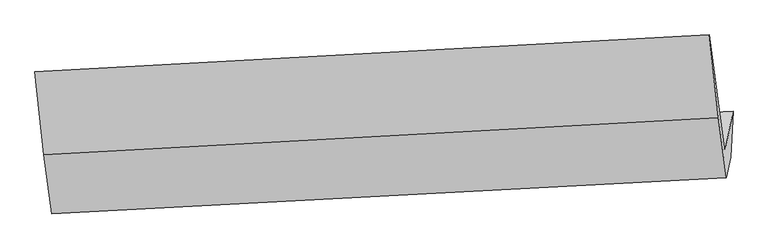
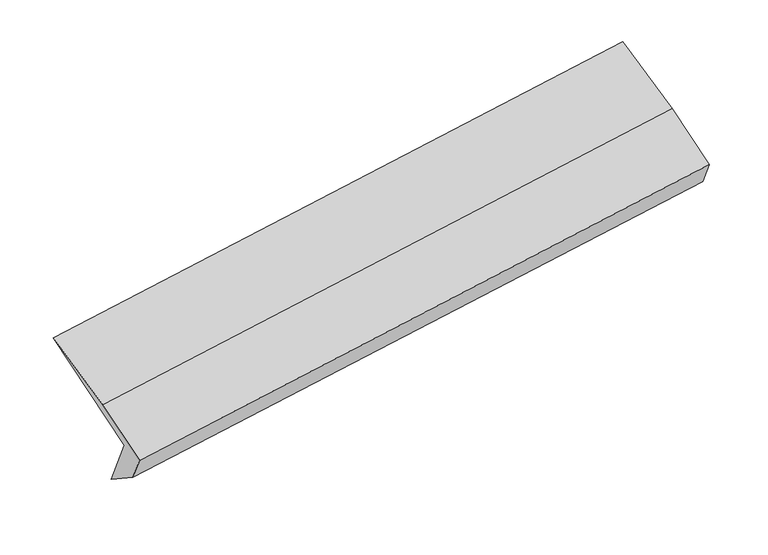
"""IFC4 building model written with IfcOpenShell, lengths in millimetres: proxy geometry."""

import ifcopenshell
import ifcopenshell.guid

model = None  # the IFC model being written
_history = None  # IfcOwnerHistory: only IFC2X3 demands one
_inside = {}  # id of a spatial element -> (the spatial element, [elements in it])
_under = {}  # id of a project, library or spatial element -> (it, [spatial elements below it])
_declared = {}  # id of a project -> (the project, [libraries it declares])
_typed = {}  # id of a type object -> (the type object, [elements of that type])
_made_of = {}  # id of a material, layer set ... -> (it, [elements and type objects made of it])


def new_model(schema):
    """Start an empty IFC model of exactly this schema.

    Asked for "IFC4X3", IfcOpenShell would pick the latest addendum, in which some entities
    have other attributes; the version numbers below select the first issue.
    IFC2X3 requires an IfcOwnerHistory on every rooted entity: one is made here for all.
    """
    global model, _history
    if schema == "IFC4X3":
        model = ifcopenshell.file(schema_version=(4, 3, 0, 0))
    else:
        model = ifcopenshell.file(schema=schema)
    _inside.clear()
    _under.clear()
    _declared.clear()
    _typed.clear()
    _made_of.clear()
    _history = None
    if model.schema == "IFC2X3":
        org = make("IfcOrganization", Name="unknown")
        user = make(
            "IfcPersonAndOrganization",
            ThePerson=make("IfcPerson", FamilyName="unknown"),
            TheOrganization=org,
        )
        app = make(
            "IfcApplication",
            ApplicationDeveloper=org,
            Version="unknown",
            ApplicationFullName="unknown",
            ApplicationIdentifier="unknown",
        )
        _history = make(
            "IfcOwnerHistory",
            OwningUser=user,
            OwningApplication=app,
            ChangeAction="ADDED",
            CreationDate=0,
        )
    return model


def make(cls, **values):
    """One entity of the class cls with the attributes given. An attribute that is None is left unset."""
    return model.create_entity(
        cls, **{name: value for name, value in values.items() if value is not None}
    )


def rooted(cls, **values):
    """An entity with a GlobalId (a new one), such as an element, a storey or a relation."""
    return make(cls, GlobalId=ifcopenshell.guid.new(), OwnerHistory=_history, **values)


def si_unit(unit_type, name, prefix=None):
    """IfcSIUnit, for example si_unit("LENGTHUNIT", "METRE", prefix="MILLI")."""
    return make("IfcSIUnit", UnitType=unit_type, Prefix=prefix, Name=name)


def assignment(units):
    """IfcUnitAssignment: the units of a project."""
    return None if units is None else make("IfcUnitAssignment", Units=units)


def point(xyz):
    """IfcCartesianPoint."""
    return None if xyz is None else make("IfcCartesianPoint", Coordinates=xyz)


def direction(xyz):
    """IfcDirection."""
    return None if xyz is None else make("IfcDirection", DirectionRatios=xyz)


def frame(location, z_axis=None, x_axis=None):
    """IfcAxis2Placement3D, a coordinate frame: its origin and axes. An axis left out is left unset."""
    return make(
        "IfcAxis2Placement3D",
        Location=point(location),
        Axis=direction(z_axis),
        RefDirection=direction(x_axis),
    )


def origin():
    """The frame at (0, 0, 0) with its axes left unset."""
    return frame((0.0, 0.0, 0.0))


def place(relative_to, where):
    """IfcLocalPlacement: puts the frame where relative to a parent placement (None: the world)."""
    return make(
        "IfcLocalPlacement", PlacementRelTo=relative_to, RelativePlacement=where
    )


def context(
    kind, dimensions, precision=None, world=None, true_north=None, identifier=None
):
    """IfcGeometricRepresentationContext, for example the 3D "Model" context."""
    return make(
        "IfcGeometricRepresentationContext",
        ContextIdentifier=identifier,
        ContextType=kind,
        CoordinateSpaceDimension=dimensions,
        Precision=precision,
        WorldCoordinateSystem=world,
        TrueNorth=true_north,
    )


def project(units=None, contexts=None):
    """IfcProject with its units and contexts."""
    return rooted(
        "IfcProject",
        Name="project",
        RepresentationContexts=contexts,
        UnitsInContext=assignment(units),
    )


def spatial(cls, under=None, at=None, **own):
    """A site, building, storey or space (cls), placed at a placement, below another one or the project."""
    s = rooted(cls, ObjectPlacement=at, **own)
    if under is not None:
        _under.setdefault(under.id(), (under, []))[1].append(s)
    return s


def shape(context_of_items, identifier, shape_type, items):
    """IfcShapeRepresentation: the items that make up one representation, for example the "Body"."""
    return make(
        "IfcShapeRepresentation",
        ContextOfItems=context_of_items,
        RepresentationIdentifier=identifier,
        RepresentationType=shape_type,
        Items=items,
    )


def source(mapping_origin, context_of_items, identifier, shape_type, items):
    """IfcRepresentationMap: a shape defined once, which mapped items show again and again."""
    return make(
        "IfcRepresentationMap",
        MappingOrigin=mapping_origin,
        MappedRepresentation=shape(context_of_items, identifier, shape_type, items),
    )


def transform(
    local_origin,
    x_axis=None,
    y_axis=None,
    z_axis=None,
    scale=None,
    scale2=None,
    scale3=None,
    uniform=True,
):
    """IfcCartesianTransformationOperator3D, or its non-uniform kind. x_axis, y_axis, z_axis: its Axis1, 2, 3."""
    if uniform:
        return make(
            "IfcCartesianTransformationOperator3D",
            Axis1=direction(x_axis),
            Axis2=direction(y_axis),
            LocalOrigin=point(local_origin),
            Scale=scale,
            Axis3=direction(z_axis),
        )
    return make(
        "IfcCartesianTransformationOperator3DnonUniform",
        Axis1=direction(x_axis),
        Axis2=direction(y_axis),
        LocalOrigin=point(local_origin),
        Scale=scale,
        Axis3=direction(z_axis),
        Scale2=scale2,
        Scale3=scale3,
    )


def mapped(mapping_source, mapping_target):
    """IfcMappedItem: shows the shape of a source again, moved by a transform."""
    return make(
        "IfcMappedItem", MappingSource=mapping_source, MappingTarget=mapping_target
    )


def made_of(thing, what):
    """Note that an element or type object is made of a material, layer set ...; save() writes the relation."""
    if what is not None:
        _made_of.setdefault(what.id(), (what, []))[1].append(thing)
    return thing


def element(
    cls,
    number,
    at=None,
    inside=None,
    cuts=None,
    type_object=None,
    material=None,
    context=None,
    identifier="Body",
    shape_type=None,
    held_by="IfcProductDefinitionShape",
    body=None,
    shapes=None,
    **own,
):
    """One element of the class cls, such as IfcWall. Its Tag is "e" and its number.

    at: its placement. inside: the storey or other place that contains it. cuts: it is an
    opening in that element (IfcRelVoidsElement). A single representation is given by context,
    identifier, shape_type and body (its items); several are given by shapes. held_by: the class
    of the entity that holds the representations. save() writes the other relations.
    """
    e = rooted(cls, Tag="e%d" % number, ObjectPlacement=at, **own)
    if body is not None:
        shapes = [shape(context, identifier, shape_type, body)]
    if shapes is not None:
        e.Representation = make(held_by, Representations=shapes)
    if inside is not None:
        _inside.setdefault(inside.id(), (inside, []))[1].append(e)
    if cuts is not None:
        rooted(
            "IfcRelVoidsElement", RelatingBuildingElement=cuts, RelatedOpeningElement=e
        )
    if type_object is not None:
        _typed.setdefault(type_object.id(), (type_object, []))[1].append(e)
    return made_of(e, material)


def aggregate(whole, parts):
    """IfcRelAggregates: a whole, such as a stair, and the parts it consists of."""
    return rooted("IfcRelAggregates", RelatingObject=whole, RelatedObjects=parts)


def save(model, path):
    """Write the relations noted so far, then the file.

    IfcRelAggregates (storeys below a building ...), IfcRelContainedInSpatialStructure (elements
    in a storey), IfcRelDefinesByType, IfcRelAssociatesMaterial and IfcRelDeclares: one each for
    every whole, place, type object, material and project.
    """
    for whole, parts in _under.values():
        aggregate(whole, parts)
    for where, things in _inside.values():
        rooted(
            "IfcRelContainedInSpatialStructure",
            RelatedElements=things,
            RelatingStructure=where,
        )
    for kind, things in _typed.values():
        rooted("IfcRelDefinesByType", RelatedObjects=things, RelatingType=kind)
    for what, things in _made_of.values():
        rooted("IfcRelAssociatesMaterial", RelatedObjects=things, RelatingMaterial=what)
    for by, libraries in _declared.values():
        rooted("IfcRelDeclares", RelatingContext=by, RelatedDefinitions=libraries)
    model.write(path)


def plane_surface(at):
    """IfcPlane: the flat surface through the origin of the frame at, square to its z axis."""
    return make("IfcPlane", Position=at)


def spline_surface(u_degree, v_degree, points, u_multiplicities, v_multiplicities, u_knots, v_knots, weights=None):
    """IfcBSplineSurfaceWithKnots; with weights, IfcRationalBSplineSurfaceWithKnots. points: one row for each step in u."""
    own = dict(
        UDegree=u_degree,
        VDegree=v_degree,
        ControlPointsList=[[point(p) for p in row] for row in points],
        SurfaceForm="UNSPECIFIED",
        UClosed=False,
        VClosed=False,
        SelfIntersect=False,
        UMultiplicities=u_multiplicities,
        VMultiplicities=v_multiplicities,
        UKnots=u_knots,
        VKnots=v_knots,
        KnotSpec="UNSPECIFIED",
    )
    if weights is None:
        return make("IfcBSplineSurfaceWithKnots", **own)
    return make("IfcRationalBSplineSurfaceWithKnots", WeightsData=weights, **own)


def advanced_brep(points, edges, surfaces, faces):
    """IfcAdvancedBrep: a solid bounded by faces that lie on surfaces and meet in shared edges.

    An edge is (start, end): straight between two places in points (the first is 0);
    or (start, end, curve); or (start, end, curve, False) where it runs against its curve.
    A face is (place in surfaces, loops), or (place, loops, False) where it looks against
    its surface's normal. A loop lists edges by number (the first is 1), with a minus sign
    where the edge is run from its end to its start. The first loop is the outer one.
    """
    corners = [point(p) for p in points]
    vertices = [make("IfcVertexPoint", VertexGeometry=c) for c in corners]
    made = []
    for start, end, *more in edges:
        made.append(
            make(
                "IfcEdgeCurve",
                EdgeStart=vertices[start],
                EdgeEnd=vertices[end],
                EdgeGeometry=more[0] if more else make("IfcPolyline", Points=[corners[start], corners[end]]),
                SameSense=more[1] if len(more) > 1 else True,
            )
        )
    hull = []
    for where, loops, *sense in faces:
        bounds = []
        for j, loop in enumerate(loops):
            ring = [make("IfcOrientedEdge", EdgeElement=made[abs(k) - 1], Orientation=k > 0) for k in loop]
            bounds.append(
                make(
                    "IfcFaceOuterBound" if j == 0 else "IfcFaceBound",
                    Bound=make("IfcEdgeLoop", EdgeList=ring),
                    Orientation=True,
                )
            )
        hull.append(make("IfcAdvancedFace", Bounds=bounds, FaceSurface=surfaces[where], SameSense=sense[0] if sense else True))
    return make("IfcAdvancedBrep", Outer=make("IfcClosedShell", CfsFaces=hull))


def generic_models_93198e81(model_context):
    return source(origin(), model_context, "Body", "AdvancedBrep", [
        advanced_brep(
        [(-6123.4369034, -1533.522613, 756.584222), (-6205.3813065, -1938.8242046, 1440.3686394), (504.3491668, -1589.2839486, 2439.9573392), (585.2680988, -1189.0543941, 1764.7299569), (-6147.9367261, -2004.8644385, 1074.5941783), (560.6434039, -1646.7190449, 2079.1455706), (-6189.1528098, -2208.721489, 1418.5214596), (519.4273202, -1850.5760954, 2423.072852), (-6267.67022, -1621.3723603, 1757.2531835), (439.7595668, -1254.621829, 2766.7672683), (-6357.7652697, -798.916662, 2097.7678386), (349.664517, -432.1661308, 3107.2819234)],
        [
            (0, 1),
            (1, 2),
            (2, 3),
            (3, 0),
            (4, 0),
            (3, 5),
            (5, 4),
            (6, 4),
            (5, 7),
            (7, 6),
            (8, 6),
            (7, 9),
            (9, 8),
            (10, 8),
            (9, 11),
            (11, 10),
            (1, 10),
            (11, 2),
        ],
        [
            plane_surface(frame((-6164.4091049, -1736.1734088, 1098.4764307), z_axis=(-0.1186699667011053, 0.8603329541748862, 0.49572638316300266), x_axis=(-0.10254710568218613, -0.5072037089501654, 0.8557035051601708))),
            spline_surface(1, 1, [[(-6147.9367261, -2004.8644385, 1074.5941783), (560.6434039, -1646.7190449, 2079.1455706)], [(-6123.4369034, -1533.522613, 756.584222), (585.2680988, -1189.0543941, 1764.7299569)]], [2, 2], [2, 2], [0.0, 1.0], [0.0, 1.0]),
            plane_surface(frame((-6168.544768, -2106.7929637, 1246.5578189), z_axis=(0.1201237529611654, -0.8602573685539506, -0.4955073600090694), x_axis=(0.10254710568219706, 0.5072037089501658, -0.8557035051601694))),
            plane_surface(frame((-6228.4115149, -1915.0469246, 1587.8873215), z_axis=(-0.10109241901714197, -0.5071331664315519, 0.8559183806429037), x_axis=(0.11503432761940771, -0.860513763366229, -0.4962692480160751))),
            plane_surface(frame((-6312.7177448, -1210.1445112, 1927.510511), z_axis=(-0.11606691259188465, -0.39077421579272525, 0.9131396301075585), x_axis=(0.10069781917138484, -0.9192457896500766, -0.3805878708323931))),
            plane_surface(frame((-6281.5732881, -1368.8704333, 1769.068239), z_axis=(0.10109241901714357, 0.5071331664315438, -0.8559183806429084), x_axis=(-0.11503432761940402, 0.8605137633662339, 0.49626924801606737))),
            plane_surface(frame((493.1853456, -1327.0702405, 2430.1591517), z_axis=(0.9880542467827136, 0.047544302334541544, 0.14658903345805385), x_axis=(0.11503432761940771, -0.860513763366229, -0.4962692480160751))),
            plane_surface(frame((-6215.2238726, -1684.3702946, 1424.1815869), z_axis=(-0.9880542467827167, -0.04754430233452974, -0.14658903345803553), x_axis=(0.10254710568218717, 0.5072037089501652, -0.8557035051601708))),
        ],
        [
            (0, [[1, 2, 3, 4]]),
            (1, [[5, -4, 6, 7]]),
            (2, [[8, -7, 9, 10]]),
            (3, [[11, -10, 12, 13]]),
            (4, [[14, -13, 15, 16]]),
            (5, [[17, -16, 18, -2]]),
            (6, [[-12, -9, -6, -3, -18, -15]]),
            (7, [[-1, -5, -8, -11, -14, -17]]),
        ],
    ),
    ])


if __name__ == "__main__":
    model = new_model("IFC4")
    model_context = context("Model", 3, world=origin())
    ifc_project = project(units=[si_unit("LENGTHUNIT", "METRE", prefix="MILLI")], contexts=[model_context])
    site = spatial("IfcSite", under=ifc_project)
    building = spatial("IfcBuilding", under=site)
    placement = place(None, origin())
    generic_models_shape = generic_models_93198e81(model_context)
    element("IfcBuildingElementProxy", 1, Name="Generic Models", at=placement, inside=building, context=model_context, shape_type="MappedRepresentation", body=[
        mapped(generic_models_shape, transform((0.0, 0.0, 0.0), x_axis=(1.0, 0.0, 0.0), y_axis=(0.0, 1.0, 0.0), z_axis=(0.0, 0.0, 1.0))),
    ])
    save(model, "model.ifc")
